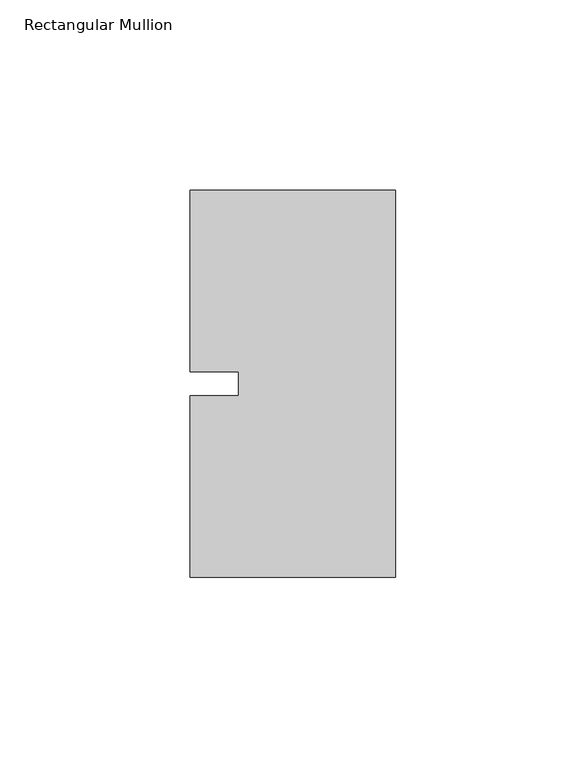
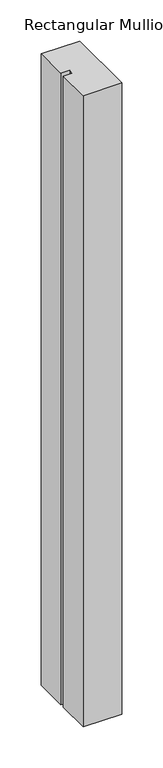
"""IFC4 building model written with IfcOpenShell, lengths in millimetres: member geometry, Rectangular Mullion."""

from ifc_helpers import new_model, si_unit, frame, origin, place, context, project, spatial, polyline, outline, extrude, source, transform, mapped, element, save


def rectangular_mullion_548b9195(model_context):
    return source(origin(), model_context, "Body", "SweptSolid", [
        extrude(outline(polyline([(-53.975, 50.8), (0.0, 50.8), (0.0, -50.8), (-53.975, -50.8), (-53.975, -3.175), (-41.2732296, -3.175), (-41.2732296, 3.175), (-53.975, 3.175), (-53.975, 50.8)])), frame((0.0, 0.0, -935.4655973), z_axis=(0.0, 0.0, 1.0), x_axis=(1.0, 0.0, 0.0)), (0.0, 0.0, 1.0), 935.4655973),
    ])


if __name__ == "__main__":
    model = new_model("IFC4")
    model_context = context("Model", 3, world=origin())
    ifc_project = project(units=[si_unit("LENGTHUNIT", "METRE", prefix="MILLI")], contexts=[model_context])
    site = spatial("IfcSite", under=ifc_project)
    building = spatial("IfcBuilding", under=site)
    placement = place(None, origin())
    rectangular_mullion_shape = rectangular_mullion_548b9195(model_context)
    element("IfcMember", 1, ObjectType="Rectangular Mullion", at=placement, inside=building, context=model_context, shape_type="MappedRepresentation", body=[
        mapped(rectangular_mullion_shape, transform((0.0, 0.0, 0.0), x_axis=(1.0, 0.0, 0.0), y_axis=(0.0, 1.0, 0.0), z_axis=(0.0, 0.0, 1.0))),
    ])
    save(model, "model.ifc")
